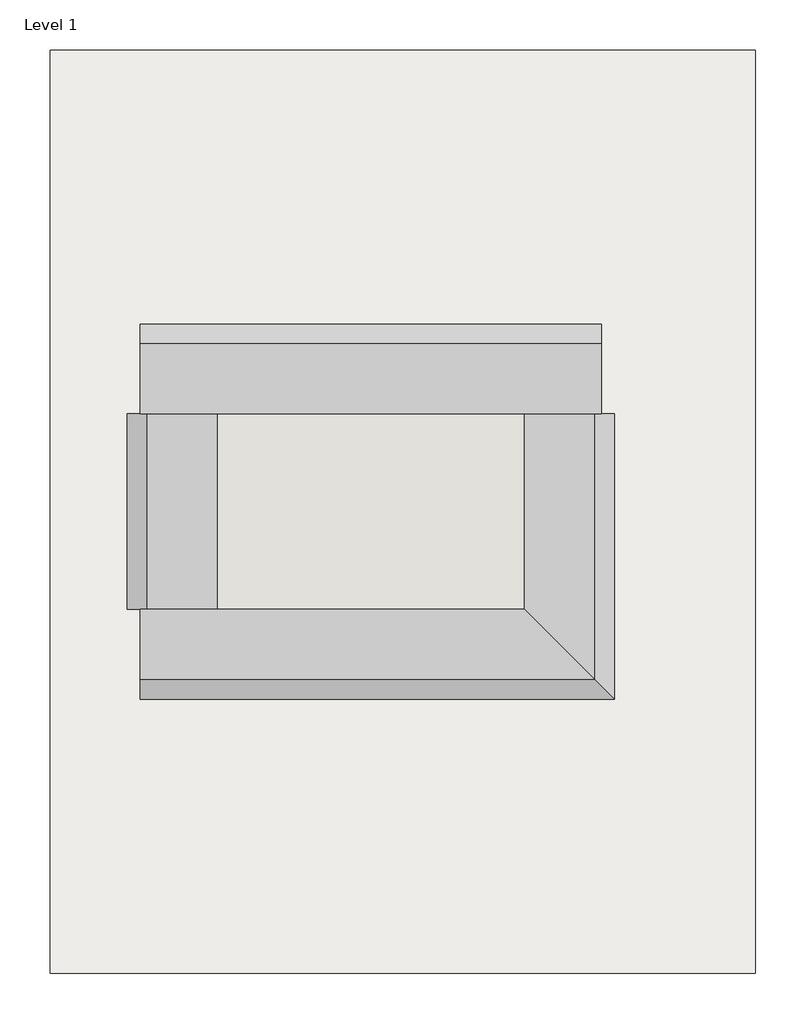
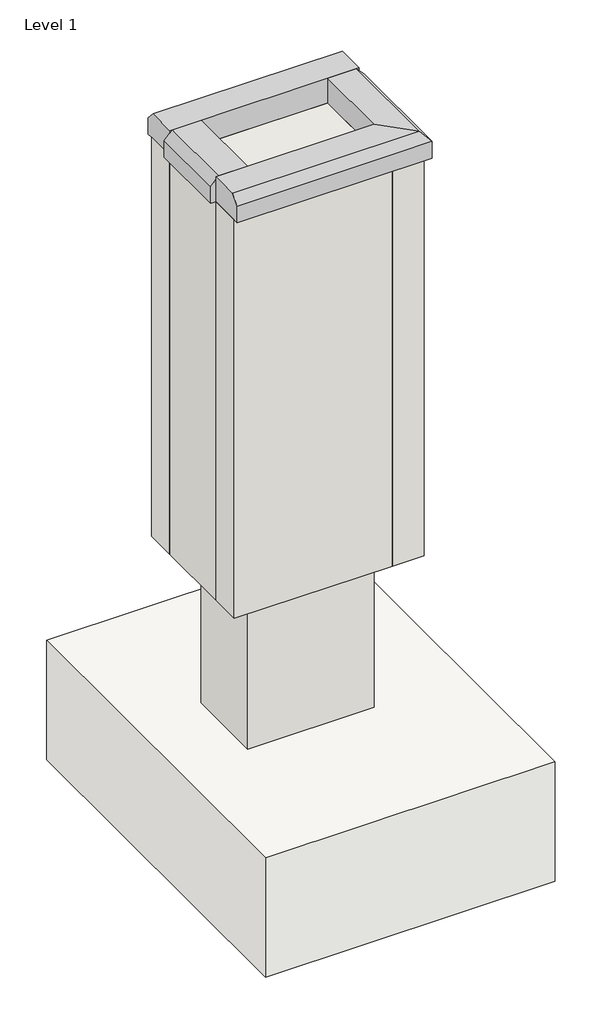
# One storey: 5 walls, 4 proxies, 1 footing.
"""IFC4 building model written with IfcOpenShell, lengths in millimetres."""

from ifc_helpers import new_model, si_unit, frame, origin, origin_with_axes, place, context, project, spatial, polyline, outline, extrude, faceted_brep, element, save

model = new_model("IFC4")

# Units and contexts
model_context = context("Model", 3, world=origin())
ifc_project = project(units=[si_unit("LENGTHUNIT", "METRE", prefix="MILLI")], contexts=[model_context])

# Site, building, storey
site = spatial("IfcSite", under=ifc_project)
building = spatial("IfcBuilding", under=site)
storey = spatial("IfcBuildingStorey", under=building, Name="Level 1", Elevation=0.0)

# Proxies
placement = place(None, origin())
element("IfcBuildingElementProxy", 1, Name="Wall Sweeps", at=placement, inside=storey, context=model_context, shape_type="Brep", body=[
    faceted_brep([(606.0665755, -609.9084747, 1079.5), (606.0665755, -590.8584747, 1058.4270709), (606.0665755, -590.8584747, 1016.0), (606.0665755, -603.5584747, 1016.0), (606.0665755, -679.7584747, 1016.0), (606.0665755, -679.7584747, 1079.5), (1063.2665755, -609.9084747, 1079.5), (1063.2665755, -679.7584747, 1079.5), (1063.2665755, -679.7584747, 1016.0), (1063.2665755, -603.5584747, 1016.0), (1063.2665755, -590.8584747, 1016.0), (1063.2665755, -590.8584747, 1058.4270709)], [[[0, 1, 2, 3, 4, 5]], [[6, 7, 8, 9, 10, 11]], [[1, 0, 6, 11]], [[2, 1, 11, 10]], [[4, 3, 2, 10, 9, 8]], [[5, 4, 8, 7]], [[0, 5, 7, 6]]]),
])
element("IfcBuildingElementProxy", 2, Name="Wall Sweeps", at=placement, inside=storey, context=model_context, shape_type="Brep", body=[
    faceted_brep([(1056.9165755, -679.7584747, 1079.5), (1075.9665755, -679.7584747, 1058.4270709), (1075.9665755, -679.7584747, 1016.0), (1063.2665755, -679.7584747, 1016.0), (987.0665755, -679.7584747, 1016.0), (987.0665755, -679.7584747, 1079.5), (1056.9165755, -943.2834747, 1079.5), (987.0665755, -873.4334747, 1079.5), (987.0665755, -873.4334747, 1016.0), (1075.9665755, -962.3334747, 1016.0), (1075.9665755, -962.3334747, 1058.4270709)], [[[0, 1, 2, 3, 4, 5]], [[6, 7, 8, 9, 10]], [[1, 0, 6, 10]], [[2, 1, 10, 9]], [[4, 3, 2, 9, 8]], [[5, 4, 8, 7]], [[0, 5, 7, 6]]]),
])
element("IfcBuildingElementProxy", 3, Name="Wall Sweeps", at=placement, inside=storey, context=model_context, shape_type="Brep", body=[
    faceted_brep([(1056.9165755, -943.2834747, 1079.5), (1075.9665755, -962.3334747, 1058.4270709), (1075.9665755, -962.3334747, 1016.0), (987.0665755, -873.4334747, 1016.0), (987.0665755, -873.4334747, 1079.5), (606.0665755, -943.2834747, 1079.5), (606.0665755, -873.4334747, 1079.5), (606.0665755, -873.4334747, 1016.0), (606.0665755, -949.6334747, 1016.0), (606.0665755, -962.3334747, 1016.0), (606.0665755, -962.3334747, 1058.4270709)], [[[0, 1, 2, 3, 4]], [[5, 6, 7, 8, 9, 10]], [[1, 0, 5, 10]], [[2, 1, 10, 9]], [[3, 2, 9, 8, 7]], [[4, 3, 7, 6]], [[0, 4, 6, 5]]]),
])
element("IfcBuildingElementProxy", 4, Name="Wall Sweeps", at=placement, inside=storey, context=model_context, shape_type="Brep", body=[
    faceted_brep([(612.4165755, -873.4334747, 1079.5), (593.3665755, -873.4334747, 1058.4270709), (593.3665755, -873.4334747, 1016.0), (606.0665755, -873.4334747, 1016.0), (682.2665755, -873.4334747, 1016.0), (682.2665755, -873.4334747, 1079.5), (612.4165755, -679.7584747, 1079.5), (682.2665755, -679.7584747, 1079.5), (682.2665755, -679.7584747, 1016.0), (606.0665755, -679.7584747, 1016.0), (593.3665755, -679.7584747, 1016.0), (593.3665755, -679.7584747, 1058.4270709)], [[[0, 1, 2, 3, 4, 5]], [[6, 7, 8, 9, 10, 11]], [[1, 0, 6, 11]], [[2, 1, 11, 10]], [[4, 3, 2, 10, 9, 8]], [[5, 4, 8, 7]], [[0, 5, 7, 6]]]),
])

# Footing
element("IfcFooting", 5, ObjectType="Bearing Footing - 36\" x 12\"", at=placement, inside=storey, context=model_context, shape_type="SweptSolid", body=[
    extrude(outline(polyline([(517.1665755, -1233.7959747), (517.1665755, -319.3959747), (1215.6665755, -319.3959747), (1215.6665755, -1233.7959747), (517.1665755, -1233.7959747)])), frame((0.0, 0.0, -711.2), z_axis=(0.0, 0.0, 1.0), x_axis=(1.0, 0.0, 0.0)), (0.0, 0.0, 1.0), 304.8),
])

# Walls
element("IfcWall", 6, ObjectType="Generic - 8\" Masonry", at=placement, inside=storey, context=model_context, shape_type="Brep", body=[
    faceted_brep([(682.2665755, -873.4334747, -406.4), (987.0665755, -873.4334747, -406.4), (987.0665755, -873.4334747, 1016.0), (682.2665755, -873.4334747, 1016.0), (682.2665755, -873.4334747, 0.0), (682.2665755, -679.7584747, -406.4), (682.2665755, -679.7584747, 0.0), (682.2665755, -679.7584747, 1016.0), (987.0665755, -679.7584747, 1016.0), (987.0665755, -679.7584747, 0.0), (987.0665755, -679.7584747, -406.4)], [[[0, 1, 2, 3, 4]], [[5, 6, 7, 8, 9, 10]], [[1, 0, 5, 10]], [[3, 2, 8, 7]], [[2, 1, 10, 9, 8]], [[0, 4, 3, 7, 6, 5]]]),
])
element("IfcWall", 7, ObjectType="Stone Veneer", at=placement, inside=storey, context=model_context, shape_type="Brep", body=[
    faceted_brep([(606.0665755, -679.7584747, 0.0), (682.2665755, -679.7584747, 0.0), (987.0665755, -679.7584747, 0.0), (1063.2665755, -679.7584747, 0.0), (1063.2665755, -679.7584747, 1016.0), (987.0665755, -679.7584747, 1016.0), (682.2665755, -679.7584747, 1016.0), (606.0665755, -679.7584747, 1016.0), (606.0665755, -603.5584747, 0.0), (606.0665755, -603.5584747, 1016.0), (1063.2665755, -603.5584747, 1016.0), (1063.2665755, -603.5584747, 0.0)], [[[0, 1, 2, 3, 4, 5, 6, 7]], [[8, 9, 10, 11]], [[3, 2, 1, 0, 8, 11]], [[7, 6, 5, 4, 10, 9]], [[4, 3, 11, 10]], [[0, 7, 9, 8]]]),
])
element("IfcWall", 8, ObjectType="Stone Veneer", at=placement, inside=storey, context=model_context, shape_type="Brep", body=[
    faceted_brep([(987.0665755, -679.7584747, 0.0), (987.0665755, -873.4334747, 0.0), (987.0665755, -949.6334747, 0.0), (987.0665755, -949.6334747, 1016.0), (987.0665755, -873.4334747, 1016.0), (987.0665755, -679.7584747, 1016.0), (1063.2665755, -679.7584747, 0.0), (1063.2665755, -679.7584747, 1016.0), (1063.2665755, -949.6334747, 1016.0), (1063.2665755, -949.6334747, 0.0)], [[[0, 1, 2, 3, 4, 5]], [[6, 7, 8, 9]], [[2, 1, 0, 6, 9]], [[5, 4, 3, 8, 7]], [[3, 2, 9, 8]], [[0, 5, 7, 6]]]),
])
element("IfcWall", 9, ObjectType="Stone Veneer", at=placement, inside=storey, context=model_context, shape_type="Brep", body=[
    faceted_brep([(987.0665755, -873.4334747, 0.0), (682.2665755, -873.4334747, 0.0), (606.0665755, -873.4334747, 0.0), (606.0665755, -873.4334747, 1016.0), (682.2665755, -873.4334747, 1016.0), (987.0665755, -873.4334747, 1016.0), (987.0665755, -949.6334747, 0.0), (987.0665755, -949.6334747, 1016.0), (606.0665755, -949.6334747, 1016.0), (606.0665755, -949.6334747, 0.0)], [[[0, 1, 2, 3, 4, 5]], [[6, 7, 8, 9]], [[2, 1, 0, 6, 9]], [[5, 4, 3, 8, 7]], [[0, 5, 7, 6]], [[3, 2, 9, 8]]]),
])
element("IfcWall", 10, ObjectType="Stone Veneer", at=placement, inside=storey, context=model_context, shape_type="SweptSolid", body=[
    extrude(outline(polyline([(682.2665755, -679.7584747), (682.2665755, -873.4334747), (606.0665755, -873.4334747), (606.0665755, -679.7584747), (682.2665755, -679.7584747)])), origin_with_axes(), (0.0, 0.0, 1.0), 1016.0),
])

save(model, "model.ifc")
